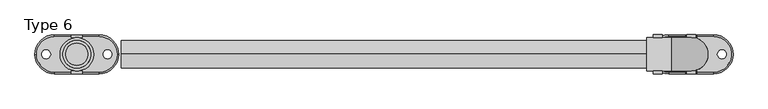
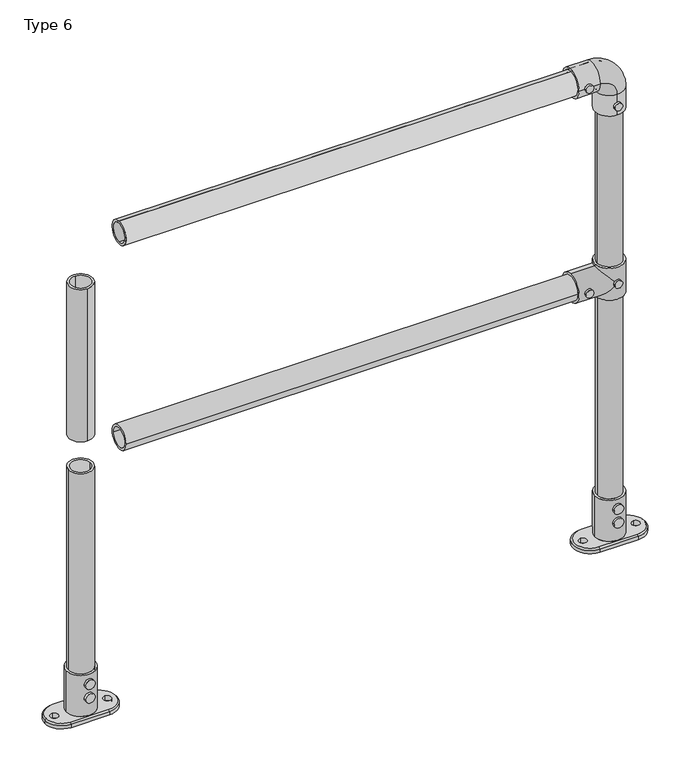
"""IFC4 building model written with IfcOpenShell, lengths in millimetres: proxy geometry, Type 6."""

from ifc_helpers import new_model, si_unit, point, frame, frame_2d, origin, origin_with_axes, origin_2d, place, context, project, spatial, polyline, circle_curve, ellipse_curve, trimmed, segment, composite_curve, outline, extrude, source, transform, mapped, element, save
from ifc_brep_helpers import plane_surface, cylinder_surface, revolved_surface, advanced_brep


def type_6_b95ba81a(model_context):
    return source(origin(), model_context, "Body", "SolidModel", [
        extrude(outline(composite_curve([segment(trimmed(circle_curve(frame_2d((575.0, 1100.0)), 8.0), [point((575.0, 1108.0))], [point((575.0, 1092.0))], False, "CARTESIAN"), True, "CONTINUOUS"), segment(trimmed(circle_curve(frame_2d((575.0, 1100.0)), 8.0), [point((575.0, 1092.0))], [point((575.0, 1108.0))], False, "CARTESIAN"), True, "CONTINUOUS")], self_intersect=False)), frame((0.0, -35.0, 0.0), z_axis=(0.0, 1.0, 0.0), x_axis=(0.0, 0.0, 1.0)), (0.0, 0.0, 1.0), 5.0),
        extrude(outline(composite_curve([segment(trimmed(circle_curve(frame_2d((575.0, 1040.0)), 8.0), [point((575.0, 1048.0))], [point((575.0, 1032.0))], False, "CARTESIAN"), True, "CONTINUOUS"), segment(trimmed(circle_curve(frame_2d((575.0, 1040.0)), 8.0), [point((575.0, 1032.0))], [point((575.0, 1048.0))], False, "CARTESIAN"), True, "CONTINUOUS")], self_intersect=False)), frame((0.0, -35.0, 0.0), z_axis=(0.0, 1.0, 0.0), x_axis=(0.0, 0.0, 1.0)), (0.0, 0.0, 1.0), 5.0),
        extrude(outline(composite_curve([segment(trimmed(circle_curve(frame_2d((575.0, 1100.0)), 8.0), [point((575.0, 1108.0))], [point((575.0, 1092.0))], False, "CARTESIAN"), True, "CONTINUOUS"), segment(trimmed(circle_curve(frame_2d((575.0, 1100.0)), 8.0), [point((575.0, 1092.0))], [point((575.0, 1108.0))], False, "CARTESIAN"), True, "CONTINUOUS")], self_intersect=False)), frame((0.0, 30.0, 0.0), z_axis=(0.0, 1.0, 0.0), x_axis=(0.0, 0.0, 1.0)), (0.0, 0.0, 1.0), 5.0),
        extrude(outline(composite_curve([segment(trimmed(circle_curve(frame_2d((575.0, 1040.0)), 8.0), [point((575.0, 1048.0))], [point((575.0, 1032.0))], False, "CARTESIAN"), True, "CONTINUOUS"), segment(trimmed(circle_curve(frame_2d((575.0, 1040.0)), 8.0), [point((575.0, 1032.0))], [point((575.0, 1048.0))], False, "CARTESIAN"), True, "CONTINUOUS")], self_intersect=False)), frame((0.0, 30.0, 0.0), z_axis=(0.0, 1.0, 0.0), x_axis=(0.0, 0.0, 1.0)), (0.0, 0.0, 1.0), 5.0),
        advanced_brep(
        [(1130.0, 0.0, 610.0), (1070.0, 0.0, 610.0), (1100.0, 25.0, 610.0), (1100.0, -25.0, 610.0), (1130.0, 0.0, 540.0), (1070.0, 0.0, 540.0), (1100.0, -25.0, 540.0), (1100.0, 25.0, 540.0), (1070.0, 0.0, 545.0), (1100.0, 30.0, 575.0), (1070.0, 0.0, 605.0), (1100.0, -30.0, 575.0), (1020.0, 0.0, 545.0), (1020.0, 0.0, 605.0), (1020.0, 0.0, 600.0), (1020.0, 0.0, 550.0), (1075.0, 0.0, 600.0), (1100.0, -25.0, 575.0), (1075.0, 0.0, 550.0), (1100.0, 25.0, 575.0)],
        [
            (0, 1, circle_curve(frame((1100.0, 0.0, 610.0), z_axis=(0.0, 0.0, 1.0), x_axis=(-1.0, 0.0, 0.0)), 30.0)),
            (1, 0, circle_curve(frame((1100.0, 0.0, 610.0), z_axis=(0.0, 0.0, 1.0), x_axis=(-1.0, 0.0, 0.0)), 30.0)),
            (2, 3, circle_curve(frame((1100.0, 0.0, 610.0), z_axis=(0.0, 0.0, -1.0), x_axis=(0.0, -1.0, 0.0)), 25.0)),
            (3, 2, circle_curve(frame((1100.0, 0.0, 610.0), z_axis=(0.0, 0.0, -1.0), x_axis=(0.0, -1.0, 0.0)), 25.0)),
            (4, 5, circle_curve(frame((1100.0, 0.0, 540.0), z_axis=(0.0, 0.0, -1.0), x_axis=(-1.0, 0.0, 0.0)), 30.0)),
            (5, 4, circle_curve(frame((1100.0, 0.0, 540.0), z_axis=(0.0, 0.0, -1.0), x_axis=(-1.0, 0.0, 0.0)), 30.0)),
            (6, 7, circle_curve(frame((1100.0, 0.0, 540.0), z_axis=(0.0, 0.0, 1.0), x_axis=(0.0, -1.0, 0.0)), 25.0)),
            (7, 6, circle_curve(frame((1100.0, 0.0, 540.0), z_axis=(0.0, 0.0, 1.0), x_axis=(0.0, -1.0, 0.0)), 25.0)),
            (0, 4),
            (5, 8),
            (8, 9, ellipse_curve(frame((1100.0, 0.0, 575.0), z_axis=(0.7071067811865458, 0.0, -0.7071067811865492), x_axis=(0.7071067811865492, 0.0, 0.7071067811865458)), 42.4264069, 30.0)),
            (9, 10, ellipse_curve(frame((1100.0, 0.0, 575.0), z_axis=(0.7071067811865492, 0.0, 0.7071067811865458), x_axis=(-0.7071067811865458, 0.0, 0.7071067811865492)), 42.4264069, 30.0)),
            (10, 1),
            (10, 11, ellipse_curve(frame((1100.0, 0.0, 575.0), z_axis=(0.7071067811865492, 0.0, 0.7071067811865458), x_axis=(-0.7071067811865458, 0.0, 0.7071067811865492)), 42.4264069, 30.0)),
            (11, 8, ellipse_curve(frame((1100.0, 0.0, 575.0), z_axis=(0.7071067811865458, 0.0, -0.7071067811865492), x_axis=(0.7071067811865492, 0.0, 0.7071067811865458)), 42.4264069, 30.0)),
            (12, 13, circle_curve(frame((1020.0, 0.0, 575.0), z_axis=(-1.0, 0.0, 0.0), x_axis=(0.0, 0.0, 1.0)), 30.0)),
            (13, 12, circle_curve(frame((1020.0, 0.0, 575.0), z_axis=(-1.0, 0.0, 0.0), x_axis=(0.0, 0.0, 1.0)), 30.0)),
            (14, 15, circle_curve(frame((1020.0, 0.0, 575.0), z_axis=(1.0, 0.0, 0.0), x_axis=(0.0, 0.0, -1.0)), 25.0)),
            (15, 14, circle_curve(frame((1020.0, 0.0, 575.0), z_axis=(1.0, 0.0, 0.0), x_axis=(0.0, 0.0, -1.0)), 25.0)),
            (12, 8),
            (10, 13),
            (14, 16),
            (16, 17, ellipse_curve(frame((1100.0, 0.0, 575.0), z_axis=(0.7071067811865492, 0.0, 0.7071067811865458), x_axis=(0.7071067811865458, 0.0, -0.7071067811865492)), 35.3553391, 25.0)),
            (17, 18, ellipse_curve(frame((1100.0, 0.0, 575.0), z_axis=(0.7071067811865458, 0.0, -0.7071067811865492), x_axis=(0.7071067811865492, 0.0, 0.7071067811865457)), 35.3553391, 25.0)),
            (18, 15),
            (18, 19, ellipse_curve(frame((1100.0, 0.0, 575.0), z_axis=(0.7071067811865458, 0.0, -0.7071067811865492), x_axis=(0.7071067811865492, 0.0, 0.7071067811865457)), 35.3553391, 25.0)),
            (19, 16, ellipse_curve(frame((1100.0, 0.0, 575.0), z_axis=(0.7071067811865492, 0.0, 0.7071067811865458), x_axis=(0.7071067811865458, 0.0, -0.7071067811865492)), 35.3553391, 25.0)),
            (2, 19),
            (19, 7),
            (6, 17),
            (17, 3),
        ],
        [
            plane_surface(frame((1070.0, 0.0, 610.0), z_axis=(0.0, 0.0, 1.0), x_axis=(0.0, -1.0, 0.0))),
            plane_surface(frame((1070.0, 0.0, 540.0), z_axis=(0.0, 0.0, -1.0), x_axis=(0.0, 1.0, 0.0))),
            cylinder_surface(frame((1100.0, 0.0, 540.0), z_axis=(0.0, 0.0, 1.0), x_axis=(-1.0, 0.0, 0.0)), 30.0),
            plane_surface(frame((1020.0, 0.0, 605.0), z_axis=(-1.0, 0.0, 0.0), x_axis=(0.0, 1.0, 0.0))),
            cylinder_surface(frame((1100.0, 0.0, 575.0), z_axis=(-1.0, 0.0, 0.0), x_axis=(0.0, 0.0, 1.0)), 30.0),
            revolved_surface(polyline([(1125.00000002876, 0.0, 550.0), (1020.0, 0.0, 550.0)]), (1020.0, 0.0, 575.0), (1.0, 0.0, 0.0)),
            revolved_surface(polyline([(1100.0, -25.0, 540.0), (1100.0, -25.0, 610.0)]), (1100.0, 0.0, 610.0), (0.0, 0.0, -1.0)),
            revolved_surface(polyline([(1100.0, -25.0, 549.9999999712401), (1100.0, -25.0, 610.0)]), (1100.0, 0.0, 610.0), (0.0, 0.0, -1.0)),
            revolved_surface(polyline([(1100.0, -25.0, 540.0), (1100.0, -25.0, 600.0000000287598)]), (1100.0, 0.0, 610.0), (0.0, 0.0, -1.0)),
        ],
        [
            (0, [[1, 2], [3, 4]]),
            (1, [[5, 6], [7, 8]]),
            (2, [[-1, 9, -6, 10, 11, 12, 13]]),
            (2, [[-2, -13, 14, 15, -10, -5, -9]]),
            (3, [[16, 17], [18, 19]]),
            (4, [[-16, 20, -15, -14, 21]]),
            (4, [[-17, -21, -12, -11, -20]]),
            (5, [[-18, 22, 23, 24, 25]]),
            (5, [[-19, -25, 26, 27, -22]]),
            (6, [[28, 29, -7, 30, 31, -3]]),
            (7, [[-28, -4, -31, -23, -27]]),
            (8, [[-29, -26, -24, -30, -8]]),
        ],
    ),
        extrude(outline(composite_curve([segment(trimmed(circle_curve(frame_2d((1025.0, 1040.0)), 8.0), [point((1025.0, 1048.0))], [point((1025.0, 1032.0))], False, "CARTESIAN"), True, "CONTINUOUS"), segment(trimmed(circle_curve(frame_2d((1025.0, 1040.0)), 8.0), [point((1025.0, 1032.0))], [point((1025.0, 1048.0))], False, "CARTESIAN"), True, "CONTINUOUS")], self_intersect=False)), frame((0.0, 30.0, 0.0), z_axis=(0.0, 1.0, 0.0), x_axis=(0.0, 0.0, 1.0)), (0.0, 0.0, 1.0), 5.0),
        extrude(outline(composite_curve([segment(trimmed(circle_curve(frame_2d((965.0, 1100.0)), 8.0), [point((965.0, 1108.0))], [point((965.0, 1092.0))], False, "CARTESIAN"), True, "CONTINUOUS"), segment(trimmed(circle_curve(frame_2d((965.0, 1100.0)), 8.0), [point((965.0, 1092.0))], [point((965.0, 1108.0))], False, "CARTESIAN"), True, "CONTINUOUS")], self_intersect=False)), frame((0.0, 30.0, 0.0), z_axis=(0.0, 1.0, 0.0), x_axis=(0.0, 0.0, 1.0)), (0.0, 0.0, 1.0), 5.0),
        extrude(outline(composite_curve([segment(trimmed(circle_curve(frame_2d((1025.0, 1040.0)), 8.0), [point((1025.0, 1048.0))], [point((1025.0, 1032.0))], False, "CARTESIAN"), True, "CONTINUOUS"), segment(trimmed(circle_curve(frame_2d((1025.0, 1040.0)), 8.0), [point((1025.0, 1032.0))], [point((1025.0, 1048.0))], False, "CARTESIAN"), True, "CONTINUOUS")], self_intersect=False)), frame((0.0, -35.0, 0.0), z_axis=(0.0, 1.0, 0.0), x_axis=(0.0, 0.0, 1.0)), (0.0, 0.0, 1.0), 5.0),
        extrude(outline(composite_curve([segment(trimmed(circle_curve(frame_2d((965.0, 1100.0)), 8.0), [point((965.0, 1108.0))], [point((965.0, 1092.0))], False, "CARTESIAN"), True, "CONTINUOUS"), segment(trimmed(circle_curve(frame_2d((965.0, 1100.0)), 8.0), [point((965.0, 1092.0))], [point((965.0, 1108.0))], False, "CARTESIAN"), True, "CONTINUOUS")], self_intersect=False)), frame((0.0, -35.0, 0.0), z_axis=(0.0, 1.0, 0.0), x_axis=(0.0, 0.0, 1.0)), (0.0, 0.0, 1.0), 5.0),
        advanced_brep(
        [(1100.0, -30.0, 945.0), (1100.0, 30.0, 945.0), (1100.0, -25.0, 945.0), (1100.0, 25.0, 945.0), (1100.0, 30.0, 990.0), (1100.0, -30.0, 990.0), (1065.0, 30.0, 1025.0), (1065.0, -30.0, 1025.0), (1020.0, -30.0, 1025.0), (1020.0, 30.0, 1025.0), (1020.0, -25.0, 1025.0), (1020.0, 25.0, 1025.0), (1100.0, 25.0, 990.0), (1100.0, -25.0, 990.0), (1065.0, 25.0, 1025.0), (1065.0, -25.0, 1025.0)],
        [
            (0, 1, circle_curve(frame((1100.0, 0.0, 945.0), z_axis=(0.0, 0.0, -1.0), x_axis=(0.0, 1.0, 0.0)), 30.0)),
            (1, 0, circle_curve(frame((1100.0, 0.0, 945.0), z_axis=(0.0, 0.0, -1.0), x_axis=(0.0, 1.0, 0.0)), 30.0)),
            (2, 3, circle_curve(frame((1100.0, 0.0, 945.0), z_axis=(0.0, 0.0, 1.0), x_axis=(0.0, 1.0, 0.0)), 25.0)),
            (3, 2, circle_curve(frame((1100.0, 0.0, 945.0), z_axis=(0.0, 0.0, 1.0), x_axis=(0.0, 1.0, 0.0)), 25.0)),
            (1, 4),
            (4, 5, circle_curve(frame((1100.0, 0.0, 990.0), z_axis=(0.0, 0.0, -1.0), x_axis=(0.0, 1.0, 0.0)), 30.0)),
            (5, 0),
            (5, 4, circle_curve(frame((1100.0, 0.0, 990.0), z_axis=(0.0, 0.0, -1.0), x_axis=(0.0, 1.0, 0.0)), 30.0)),
            (6, 7, circle_curve(frame((1065.0, 0.0, 1025.0), z_axis=(1.0, 0.0, 0.0), x_axis=(0.0, 1.0, 0.0)), 30.0)),
            (7, 5, circle_curve(frame((1065.0, -30.0, 990.0), z_axis=(0.0, 1.0, 0.0), x_axis=(1.0, 0.0, 0.0)), 35.0)),
            (4, 6, circle_curve(frame((1065.0, 30.0, 990.0), z_axis=(0.0, -1.0, 0.0), x_axis=(1.0, 0.0, 0.0)), 35.0)),
            (7, 6, circle_curve(frame((1065.0, 0.0, 1025.0), z_axis=(1.0, 0.0, 0.0), x_axis=(0.0, 1.0, 0.0)), 30.0)),
            (8, 9, circle_curve(frame((1020.0, 0.0, 1025.0), z_axis=(-1.0, 0.0, 0.0), x_axis=(0.0, 1.0, 0.0)), 30.0)),
            (9, 8, circle_curve(frame((1020.0, 0.0, 1025.0), z_axis=(-1.0, 0.0, 0.0), x_axis=(0.0, 1.0, 0.0)), 30.0)),
            (10, 11, circle_curve(frame((1020.0, 0.0, 1025.0), z_axis=(1.0, 0.0, 0.0), x_axis=(0.0, 1.0, 0.0)), 25.0)),
            (11, 10, circle_curve(frame((1020.0, 0.0, 1025.0), z_axis=(1.0, 0.0, 0.0), x_axis=(0.0, 1.0, 0.0)), 25.0)),
            (6, 9),
            (8, 7),
            (3, 12),
            (12, 13, circle_curve(frame((1100.0, 0.0, 990.0), z_axis=(0.0, 0.0, 1.0), x_axis=(0.0, 1.0, 0.0)), 25.0)),
            (13, 2),
            (13, 12, circle_curve(frame((1100.0, 0.0, 990.0), z_axis=(0.0, 0.0, 1.0), x_axis=(0.0, 1.0, 0.0)), 25.0)),
            (14, 15, circle_curve(frame((1065.0, 0.0, 1025.0), z_axis=(-1.0, 0.0, 0.0), x_axis=(0.0, 1.0, 0.0)), 25.0)),
            (15, 13, circle_curve(frame((1065.0, -25.0, 990.0), z_axis=(0.0, 1.0, 0.0), x_axis=(1.0, 0.0, 0.0)), 35.0)),
            (12, 14, circle_curve(frame((1065.0, 25.0, 990.0), z_axis=(0.0, -1.0, 0.0), x_axis=(1.0, 0.0, 0.0)), 35.0)),
            (15, 14, circle_curve(frame((1065.0, 0.0, 1025.0), z_axis=(-1.0, 0.0, 0.0), x_axis=(0.0, 1.0, 0.0)), 25.0)),
            (14, 11),
            (10, 15),
        ],
        [
            plane_surface(frame((1070.0, 0.0, 945.0), z_axis=(0.0, 0.0, -1.0), x_axis=(0.0, -1.0, 0.0))),
            cylinder_surface(frame((1100.0, 0.0, 945.0), z_axis=(0.0, 0.0, -1.0), x_axis=(0.0, 1.0, 0.0)), 30.0),
            revolved_surface(trimmed(ellipse_curve(frame((1100.0, 0.0, 990.0), z_axis=(0.0, 0.0, 1.0), x_axis=(0.0, 1.0, 0.0)), 30.0, 30.0), [point((1100.0, -30.0, 990.0))], [point((1100.0, 30.0, 990.0))], True, "CARTESIAN"), (1065.0, 0.0, 990.0), (0.0, 1.0, 0.0)),
            revolved_surface(trimmed(ellipse_curve(frame((1100.0, 0.0, 990.0), z_axis=(0.0, 0.0, 1.0), x_axis=(0.0, 1.0, 0.0)), 30.0, 30.0), [point((1100.0, 30.0, 990.0))], [point((1100.0, -30.0, 990.0))], True, "CARTESIAN"), (1065.0, 0.0, 990.0), (0.0, 1.0, 0.0)),
            plane_surface(frame((1020.0, 0.0, 995.0), z_axis=(-1.0, 0.0, 0.0), x_axis=(0.0, -1.0, 0.0))),
            cylinder_surface(frame((1065.0, 0.0, 1025.0), z_axis=(1.0, 0.0, 0.0), x_axis=(0.0, 1.0, 0.0)), 30.0),
            revolved_surface(polyline([(1100.0, 25.0, 990.0), (1100.0, 25.0, 945.0)]), (1100.0, 0.0, 945.0), (0.0, 0.0, 1.0)),
            revolved_surface(trimmed(ellipse_curve(frame((1100.0, 0.0, 990.0), z_axis=(0.0, 0.0, -1.0), x_axis=(0.0, 1.0, 0.0)), 25.0, 25.0), [point((1100.0, -25.0, 990.0))], [point((1100.0, 25.0, 990.0))], True, "CARTESIAN"), (1065.0, 0.0, 990.0), (0.0, 1.0, 0.0)),
            revolved_surface(trimmed(ellipse_curve(frame((1100.0, 0.0, 990.0), z_axis=(0.0, 0.0, -1.0), x_axis=(0.0, 1.0, 0.0)), 25.0, 25.0), [point((1100.0, 25.0, 990.0))], [point((1100.0, -25.0, 990.0))], True, "CARTESIAN"), (1065.0, 0.0, 990.0), (0.0, 1.0, 0.0)),
            revolved_surface(polyline([(1020.0, 25.0, 1025.0), (1065.0, 25.0, 1025.0)]), (1065.0, 0.0, 1025.0), (-1.0, 0.0, 0.0)),
        ],
        [
            (0, [[1, 2], [3, 4]]),
            (1, [[5, 6, 7, -2]]),
            (1, [[-7, 8, -5, -1]]),
            (2, [[9, 10, -6, 11]]),
            (3, [[12, -11, -8, -10]]),
            (4, [[13, 14], [15, 16]]),
            (5, [[17, -13, 18, -9]]),
            (5, [[-18, -14, -17, -12]]),
            (6, [[19, 20, 21, -4]]),
            (6, [[-21, 22, -19, -3]]),
            (7, [[23, 24, -20, 25]]),
            (8, [[26, -25, -22, -24]]),
            (9, [[27, -15, 28, -23]]),
            (9, [[-28, -16, -27, -26]]),
        ],
    ),
        extrude(outline(composite_curve([segment(trimmed(circle_curve(frame_2d((0.0, 575.0)), 25.0), [point((-25.0, 575.0))], [point((25.0, 575.0))], False, "CARTESIAN"), True, "CONTINUOUS"), segment(trimmed(circle_curve(frame_2d((0.0, 575.0)), 25.0), [point((25.0, 575.0))], [point((-25.0, 575.0))], False, "CARTESIAN"), True, "CONTINUOUS")], self_intersect=False), holes=[composite_curve([segment(trimmed(circle_curve(frame_2d((0.0, 575.0)), 20.0), [point((-20.0, 575.0))], [point((20.0, 575.0))], True, "CARTESIAN"), True, "CONTINUOUS"), segment(trimmed(circle_curve(frame_2d((0.0, 575.0)), 20.0), [point((20.0, 575.0))], [point((-20.0, 575.0))], True, "CARTESIAN"), True, "CONTINUOUS")], self_intersect=False)]), frame((80.0, 0.0, 0.0), z_axis=(1.0, 0.0, 0.0), x_axis=(0.0, 1.0, 0.0)), (0.0, 0.0, 1.0), 940.0),
        extrude(outline(composite_curve([segment(trimmed(circle_curve(frame_2d((0.0, 1025.0)), 25.0), [point((0.0, 1050.0))], [point((0.0, 1000.0))], False, "CARTESIAN"), True, "CONTINUOUS"), segment(trimmed(circle_curve(frame_2d((0.0, 1025.0)), 25.0), [point((0.0, 1000.0))], [point((0.0, 1050.0))], False, "CARTESIAN"), True, "CONTINUOUS")], self_intersect=False), holes=[composite_curve([segment(trimmed(circle_curve(frame_2d((0.0, 1025.0)), 20.0), [point((0.0, 1045.0))], [point((0.0, 1005.0))], True, "CARTESIAN"), True, "CONTINUOUS"), segment(trimmed(circle_curve(frame_2d((0.0, 1025.0)), 20.0), [point((0.0, 1005.0))], [point((0.0, 1045.0))], True, "CARTESIAN"), True, "CONTINUOUS")], self_intersect=False)]), frame((80.0, 0.0, 0.0), z_axis=(1.0, 0.0, 0.0), x_axis=(0.0, 1.0, 0.0)), (0.0, 0.0, 1.0), 940.0),
        extrude(outline(composite_curve([segment(trimmed(circle_curve(frame_2d((1100.0, 0.0)), 25.0), [point((1075.0, 0.0))], [point((1125.0, 0.0))], False, "CARTESIAN"), True, "CONTINUOUS"), segment(trimmed(circle_curve(frame_2d((1100.0, 0.0)), 25.0), [point((1125.0, 0.0))], [point((1075.0, 0.0))], False, "CARTESIAN"), True, "CONTINUOUS")], self_intersect=False), holes=[composite_curve([segment(trimmed(circle_curve(frame_2d((1100.0, 0.0)), 20.0), [point((1080.0, 0.0))], [point((1120.0, 0.0))], True, "CARTESIAN"), True, "CONTINUOUS"), segment(trimmed(circle_curve(frame_2d((1100.0, 0.0)), 20.0), [point((1120.0, 0.0))], [point((1080.0, 0.0))], True, "CARTESIAN"), True, "CONTINUOUS")], self_intersect=False)]), frame((0.0, 0.0, 610.0), z_axis=(0.0, 0.0, 1.0), x_axis=(1.0, 0.0, 0.0)), (0.0, 0.0, 1.0), 335.0),
        extrude(outline(composite_curve([segment(trimmed(circle_curve(frame_2d((1100.0, 0.0)), 25.0), [point((1125.0, 0.0))], [point((1075.0, 0.0))], False, "CARTESIAN"), True, "CONTINUOUS"), segment(trimmed(circle_curve(frame_2d((1100.0, 0.0)), 25.0), [point((1075.0, 0.0))], [point((1125.0, 0.0))], False, "CARTESIAN"), True, "CONTINUOUS")], self_intersect=False), holes=[composite_curve([segment(trimmed(circle_curve(frame_2d((1100.0, 0.0)), 20.0), [point((1120.0, 0.0))], [point((1080.0, 0.0))], True, "CARTESIAN"), True, "CONTINUOUS"), segment(trimmed(circle_curve(frame_2d((1100.0, 0.0)), 20.0), [point((1080.0, 0.0))], [point((1120.0, 0.0))], True, "CARTESIAN"), True, "CONTINUOUS")], self_intersect=False)]), frame((0.0, 0.0, 100.0), z_axis=(0.0, 0.0, 1.0), x_axis=(1.0, 0.0, 0.0)), (0.0, 0.0, 1.0), 440.0),
        extrude(outline(composite_curve([segment(trimmed(circle_curve(frame_2d((80.0, 1100.0)), 10.0), [point((80.0, 1090.0))], [point((80.0, 1110.0))], False, "CARTESIAN"), True, "CONTINUOUS"), segment(trimmed(circle_curve(frame_2d((80.0, 1100.0)), 10.0), [point((80.0, 1110.0))], [point((80.0, 1090.0))], False, "CARTESIAN"), True, "CONTINUOUS")], self_intersect=False)), frame((0.0, 30.0, 0.0), z_axis=(0.0, 1.0, 0.0), x_axis=(0.0, 0.0, 1.0)), (0.0, 0.0, 1.0), 5.0),
        extrude(outline(composite_curve([segment(trimmed(circle_curve(frame_2d((50.0, 1100.0)), 10.0), [point((50.0, 1090.0))], [point((50.0, 1110.0))], False, "CARTESIAN"), True, "CONTINUOUS"), segment(trimmed(circle_curve(frame_2d((50.0, 1100.0)), 10.0), [point((50.0, 1110.0))], [point((50.0, 1090.0))], False, "CARTESIAN"), True, "CONTINUOUS")], self_intersect=False)), frame((0.0, 30.0, 0.0), z_axis=(0.0, 1.0, 0.0), x_axis=(0.0, 0.0, 1.0)), (0.0, 0.0, 1.0), 5.0),
        extrude(outline(composite_curve([segment(trimmed(circle_curve(frame_2d((80.0, 1100.0)), 10.0), [point((80.0, 1090.0))], [point((80.0, 1110.0))], False, "CARTESIAN"), True, "CONTINUOUS"), segment(trimmed(circle_curve(frame_2d((80.0, 1100.0)), 10.0), [point((80.0, 1110.0))], [point((80.0, 1090.0))], False, "CARTESIAN"), True, "CONTINUOUS")], self_intersect=False)), frame((0.0, -35.0, 0.0), z_axis=(0.0, 1.0, 0.0), x_axis=(0.0, 0.0, 1.0)), (0.0, 0.0, 1.0), 5.0),
        extrude(outline(composite_curve([segment(trimmed(circle_curve(frame_2d((50.0, 1100.0)), 10.0), [point((50.0, 1090.0))], [point((50.0, 1110.0))], False, "CARTESIAN"), True, "CONTINUOUS"), segment(trimmed(circle_curve(frame_2d((50.0, 1100.0)), 10.0), [point((50.0, 1110.0))], [point((50.0, 1090.0))], False, "CARTESIAN"), True, "CONTINUOUS")], self_intersect=False)), frame((0.0, -35.0, 0.0), z_axis=(0.0, 1.0, 0.0), x_axis=(0.0, 0.0, 1.0)), (0.0, 0.0, 1.0), 5.0),
        advanced_brep(
        [(1125.0, 0.0, 10.0), (1075.0, 0.0, 10.0), (1140.0, -32.0, 10.0), (1140.0, 32.0, 10.0), (1060.0, 32.0, 10.0), (1060.0, -32.0, 10.0), (1130.0, 0.0, 10.0), (1070.0, 0.0, 10.0), (1045.0, -8.0, 10.0), (1045.0, 8.0, 10.0), (1155.0, -8.0, 10.0), (1155.0, 8.0, 10.0), (1140.0, 35.0, 0.0), (1140.0, -35.0, 0.0), (1060.0, -35.0, 0.0), (1060.0, 35.0, 0.0), (1045.0, 8.0, 0.0), (1045.0, -8.0, 0.0), (1155.0, 8.0, 0.0), (1155.0, -8.0, 0.0), (1060.0, 35.0, 7.0), (1140.0, 35.0, 7.0), (1060.0, -35.0, 7.0), (1140.0, -35.0, 7.0), (1070.0, 0.0, 100.0), (1130.0, 0.0, 100.0), (1075.0, 0.0, 100.0), (1125.0, 0.0, 100.0)],
        [
            (0, 1, circle_curve(frame((1100.0, 0.0, 10.0), z_axis=(0.0, 0.0, 1.0), x_axis=(1.0, 0.0, 0.0)), 25.0)),
            (1, 0, circle_curve(frame((1100.0, 0.0, 10.0), z_axis=(0.0, 0.0, 1.0), x_axis=(1.0, 0.0, 0.0)), 25.0)),
            (2, 3, circle_curve(frame((1140.0, 0.0, 10.0), z_axis=(0.0, 0.0, 1.0), x_axis=(0.0, -1.0, 0.0)), 32.0)),
            (3, 4),
            (4, 5, circle_curve(frame((1060.0, 0.0, 10.0), z_axis=(0.0, 0.0, 1.0), x_axis=(0.0, 1.0, 0.0)), 32.0)),
            (5, 2),
            (6, 7, circle_curve(frame((1100.0, 0.0, 10.0), z_axis=(0.0, 0.0, -1.0), x_axis=(1.0, 0.0, 0.0)), 30.0)),
            (7, 6, circle_curve(frame((1100.0, 0.0, 10.0), z_axis=(0.0, 0.0, -1.0), x_axis=(1.0, 0.0, 0.0)), 30.0)),
            (8, 9, circle_curve(frame((1045.0, 0.0, 10.0), z_axis=(0.0, 0.0, -1.0), x_axis=(0.0, 1.0, 0.0)), 8.0)),
            (9, 8, circle_curve(frame((1045.0, 0.0, 10.0), z_axis=(0.0, 0.0, -1.0), x_axis=(0.0, 1.0, 0.0)), 8.0)),
            (10, 11, circle_curve(frame((1155.0, 0.0, 10.0), z_axis=(0.0, 0.0, -1.0), x_axis=(0.0, 1.0, 0.0)), 8.0)),
            (11, 10, circle_curve(frame((1155.0, 0.0, 10.0), z_axis=(0.0, 0.0, -1.0), x_axis=(0.0, 1.0, 0.0)), 8.0)),
            (12, 13, circle_curve(frame((1140.0, 0.0, 0.0), z_axis=(0.0, 0.0, -1.0), x_axis=(1.0, 0.0, 0.0)), 35.0)),
            (13, 14),
            (14, 15, circle_curve(frame((1060.0, 0.0, 0.0), z_axis=(0.0, 0.0, -1.0), x_axis=(1.0, 0.0, 0.0)), 35.0)),
            (15, 12),
            (16, 17, circle_curve(frame((1045.0, 0.0, 0.0), z_axis=(0.0, 0.0, 1.0), x_axis=(0.0, 1.0, 0.0)), 8.0)),
            (17, 16, circle_curve(frame((1045.0, 0.0, 0.0), z_axis=(0.0, 0.0, 1.0), x_axis=(0.0, 1.0, 0.0)), 8.0)),
            (18, 19, circle_curve(frame((1155.0, 0.0, 0.0), z_axis=(0.0, 0.0, 1.0), x_axis=(0.0, 1.0, 0.0)), 8.0)),
            (19, 18, circle_curve(frame((1155.0, 0.0, 0.0), z_axis=(0.0, 0.0, 1.0), x_axis=(0.0, 1.0, 0.0)), 8.0)),
            (15, 20),
            (20, 21),
            (21, 12),
            (14, 22),
            (22, 20, circle_curve(frame((1060.0, 0.0, 7.0), z_axis=(0.0, 0.0, -1.0), x_axis=(1.0, 0.0, 0.0)), 35.0)),
            (13, 23),
            (23, 22),
            (21, 23, circle_curve(frame((1140.0, 0.0, 7.0), z_axis=(0.0, 0.0, -1.0), x_axis=(1.0, 0.0, 0.0)), 35.0)),
            (24, 25, circle_curve(frame((1100.0, 0.0, 100.0), z_axis=(0.0, 0.0, 1.0), x_axis=(1.0, 0.0, 0.0)), 30.0)),
            (25, 24, circle_curve(frame((1100.0, 0.0, 100.0), z_axis=(0.0, 0.0, 1.0), x_axis=(1.0, 0.0, 0.0)), 30.0)),
            (26, 27, circle_curve(frame((1100.0, 0.0, 100.0), z_axis=(0.0, 0.0, -1.0), x_axis=(1.0, 0.0, 0.0)), 25.0)),
            (27, 26, circle_curve(frame((1100.0, 0.0, 100.0), z_axis=(0.0, 0.0, -1.0), x_axis=(1.0, 0.0, 0.0)), 25.0)),
            (24, 7),
            (6, 25),
            (26, 1),
            (0, 27),
            (21, 3),
            (2, 23),
            (20, 4),
            (22, 5),
            (16, 9),
            (8, 17),
            (18, 11),
            (10, 19),
        ],
        [
            plane_surface(frame((1060.0, 35.0, 10.0), z_axis=(0.0, 0.0, 1.0), x_axis=(-1.0, 0.0, 0.0))),
            plane_surface(frame((1060.0, 35.0, 0.0), z_axis=(0.0, 0.0, -1.0), x_axis=(1.0, 0.0, 0.0))),
            plane_surface(frame((1140.0, 35.0, 10.0), z_axis=(0.0, 1.0, 0.0), x_axis=(0.0, 0.0, -1.0))),
            cylinder_surface(frame((1060.0, 0.0, 0.0), z_axis=(0.0, 0.0, 1.0), x_axis=(1.0, 0.0, 0.0)), 35.0),
            plane_surface(frame((1060.0, -35.0, 10.0), z_axis=(0.0, -1.0, 0.0), x_axis=(0.0, 0.0, -1.0))),
            cylinder_surface(frame((1140.0, 0.0, 0.0), z_axis=(0.0, 0.0, 1.0), x_axis=(1.0, 0.0, 0.0)), 35.0),
            plane_surface(frame((1130.0, 0.0, 100.0), z_axis=(0.0, 0.0, 1.0), x_axis=(0.0, 1.0, 0.0))),
            cylinder_surface(frame((1100.0, 0.0, 0.0), z_axis=(0.0, 0.0, 1.0), x_axis=(1.0, 0.0, 0.0)), 30.0),
            revolved_surface(polyline([(1125.0, 0.0, 10.0), (1125.0, 0.0, 100.0)]), (1100.0, 0.0, 0.0), (0.0, 0.0, -1.0)),
            revolved_surface(polyline([(1140.0, -35.0, 7.0), (1140.0, -32.0, 10.0)]), (1140.0, 0.0, 10.0), (0.0, 0.0, 1.0)),
            plane_surface(frame((1140.0, 32.0, 10.0), z_axis=(0.0, 0.7071067811865211, 0.707106781186574), x_axis=(-1.0, 0.0, 0.0))),
            revolved_surface(polyline([(1060.0, 35.0, 7.0), (1060.0, 32.0, 10.0)]), (1060.0, 0.0, 10.0), (0.0, 0.0, 1.0)),
            plane_surface(frame((1060.0, -32.0, 10.0), z_axis=(0.0, -0.7071067811865211, 0.707106781186574), x_axis=(1.0, 0.0, 0.0))),
            revolved_surface(polyline([(1045.0, 8.0, 0.0), (1045.0, 8.0, 10.0)]), (1045.0, 0.0, 10.0), (0.0, 0.0, -1.0)),
            revolved_surface(polyline([(1155.0, 8.0, 0.0), (1155.0, 8.0, 10.0)]), (1155.0, 0.0, 0.0), (0.0, 0.0, -1.0)),
        ],
        [
            (0, [[1, 2]]),
            (0, [[3, 4, 5, 6], [7, 8], [9, 10], [11, 12]]),
            (1, [[13, 14, 15, 16], [17, 18], [19, 20]]),
            (2, [[-16, 21, 22, 23]]),
            (3, [[-15, 24, 25, -21]]),
            (4, [[-14, 26, 27, -24]]),
            (5, [[-13, -23, 28, -26]]),
            (6, [[29, 30], [31, 32]]),
            (7, [[-29, 33, -7, 34]]),
            (7, [[-30, -34, -8, -33]]),
            (8, [[-31, 35, -1, 36]]),
            (8, [[-32, -36, -2, -35]]),
            (9, [[37, -3, 38, -28]]),
            (10, [[-37, -22, 39, -4]]),
            (11, [[-39, -25, 40, -5]]),
            (12, [[-38, -6, -40, -27]]),
            (13, [[41, -9, 42, -17]]),
            (13, [[-41, -18, -42, -10]]),
            (14, [[43, -11, 44, -19]]),
            (14, [[-43, -20, -44, -12]]),
        ],
    ),
        extrude(outline(composite_curve([segment(trimmed(circle_curve(origin_2d(), 25.0), [point((0.0, -25.0))], [point((0.0, 25.0))], False, "CARTESIAN"), True, "CONTINUOUS"), segment(trimmed(circle_curve(origin_2d(), 25.0), [point((0.0, 25.0))], [point((0.0, -25.0))], False, "CARTESIAN"), True, "CONTINUOUS")], self_intersect=False), holes=[composite_curve([segment(trimmed(circle_curve(origin_2d(), 20.0), [point((0.0, -20.0))], [point((0.0, 20.0))], True, "CARTESIAN"), True, "CONTINUOUS"), segment(trimmed(circle_curve(origin_2d(), 20.0), [point((0.0, 20.0))], [point((0.0, -20.0))], True, "CARTESIAN"), True, "CONTINUOUS")], self_intersect=False)]), frame((0.0, 0.0, 610.0), z_axis=(0.0, 0.0, 1.0), x_axis=(1.0, 0.0, 0.0)), (0.0, 0.0, 1.0), 335.0),
        extrude(outline(composite_curve([segment(trimmed(circle_curve(origin_2d(), 25.0), [point((25.0, 0.0))], [point((-25.0, 0.0))], False, "CARTESIAN"), True, "CONTINUOUS"), segment(trimmed(circle_curve(origin_2d(), 25.0), [point((-25.0, 0.0))], [point((25.0, 0.0))], False, "CARTESIAN"), True, "CONTINUOUS")], self_intersect=False), holes=[composite_curve([segment(trimmed(circle_curve(origin_2d(), 20.0), [point((20.0, 0.0))], [point((-20.0, 0.0))], True, "CARTESIAN"), True, "CONTINUOUS"), segment(trimmed(circle_curve(origin_2d(), 20.0), [point((-20.0, 0.0))], [point((20.0, 0.0))], True, "CARTESIAN"), True, "CONTINUOUS")], self_intersect=False)]), frame((0.0, 0.0, 100.0), z_axis=(0.0, 0.0, 1.0), x_axis=(1.0, 0.0, 0.0)), (0.0, 0.0, 1.0), 440.0),
        extrude(outline(composite_curve([segment(trimmed(circle_curve(frame_2d((50.0, 0.0)), 10.0), [point((50.0, -10.0))], [point((50.0, 10.0))], False, "CARTESIAN"), True, "CONTINUOUS"), segment(trimmed(circle_curve(frame_2d((50.0, 0.0)), 10.0), [point((50.0, 10.0))], [point((50.0, -10.0))], False, "CARTESIAN"), True, "CONTINUOUS")], self_intersect=False)), frame((0.0, 30.0, 0.0), z_axis=(0.0, 1.0, 0.0), x_axis=(0.0, 0.0, 1.0)), (0.0, 0.0, 1.0), 5.0),
        extrude(outline(composite_curve([segment(trimmed(circle_curve(frame_2d((80.0, 0.0)), 10.0), [point((80.0, -10.0))], [point((80.0, 10.0))], False, "CARTESIAN"), True, "CONTINUOUS"), segment(trimmed(circle_curve(frame_2d((80.0, 0.0)), 10.0), [point((80.0, 10.0))], [point((80.0, -10.0))], False, "CARTESIAN"), True, "CONTINUOUS")], self_intersect=False)), frame((0.0, 30.0, 0.0), z_axis=(0.0, 1.0, 0.0), x_axis=(0.0, 0.0, 1.0)), (0.0, 0.0, 1.0), 5.0),
        extrude(outline(composite_curve([segment(trimmed(circle_curve(frame_2d((50.0, 0.0)), 10.0), [point((50.0, -10.0))], [point((50.0, 10.0))], False, "CARTESIAN"), True, "CONTINUOUS"), segment(trimmed(circle_curve(frame_2d((50.0, 0.0)), 10.0), [point((50.0, 10.0))], [point((50.0, -10.0))], False, "CARTESIAN"), True, "CONTINUOUS")], self_intersect=False)), frame((0.0, -35.0, 0.0), z_axis=(0.0, 1.0, 0.0), x_axis=(0.0, 0.0, 1.0)), (0.0, 0.0, 1.0), 5.0),
        extrude(outline(composite_curve([segment(trimmed(circle_curve(frame_2d((80.0, 0.0)), 10.0), [point((80.0, -10.0))], [point((80.0, 10.0))], False, "CARTESIAN"), True, "CONTINUOUS"), segment(trimmed(circle_curve(frame_2d((80.0, 0.0)), 10.0), [point((80.0, 10.0))], [point((80.0, -10.0))], False, "CARTESIAN"), True, "CONTINUOUS")], self_intersect=False)), frame((0.0, -35.0, 0.0), z_axis=(0.0, 1.0, 0.0), x_axis=(0.0, 0.0, 1.0)), (0.0, 0.0, 1.0), 5.0),
        advanced_brep(
        [(-30.0, 0.0, 100.0), (30.0, 0.0, 100.0), (-25.0, 0.0, 100.0), (25.0, 0.0, 100.0), (40.0, 35.0, 0.0), (75.0, 0.0, 0.0), (40.0, -35.0, 0.0), (-40.0, -35.0, 0.0), (-75.0, 0.0, 0.0), (-40.0, 35.0, 0.0), (-55.0, 8.0, 0.0), (-55.0, -8.0, 0.0), (55.0, 8.0, 0.0), (55.0, -8.0, 0.0), (-30.0, 0.0, 10.0), (30.0, 0.0, 10.0), (-25.0, 0.0, 10.0), (25.0, 0.0, 10.0), (40.0, -32.0, 10.0), (72.0, 0.0, 10.0), (40.0, 32.0, 10.0), (-40.0, 32.0, 10.0), (-72.0, 0.0, 10.0), (-40.0, -32.0, 10.0), (-55.0, -8.0, 10.0), (-55.0, 8.0, 10.0), (55.0, -8.0, 10.0), (55.0, 8.0, 10.0), (-40.0, 35.0, 7.0), (40.0, 35.0, 7.0), (-75.0, 0.0, 7.0), (-40.0, -35.0, 7.0), (40.0, -35.0, 7.0), (75.0, 0.0, 7.0)],
        [
            (0, 1, circle_curve(frame((0.0, 0.0, 100.0), z_axis=(0.0, 0.0, 1.0), x_axis=(1.0, 0.0, 0.0)), 30.0)),
            (1, 0, circle_curve(frame((0.0, 0.0, 100.0), z_axis=(0.0, 0.0, 1.0), x_axis=(1.0, 0.0, 0.0)), 30.0)),
            (2, 3, circle_curve(frame((0.0, 0.0, 100.0), z_axis=(0.0, 0.0, -1.0), x_axis=(1.0, 0.0, 0.0)), 25.0)),
            (3, 2, circle_curve(frame((0.0, 0.0, 100.0), z_axis=(0.0, 0.0, -1.0), x_axis=(1.0, 0.0, 0.0)), 25.0)),
            (4, 5, circle_curve(frame((40.0, 0.0, 0.0), z_axis=(0.0, 0.0, -1.0), x_axis=(1.0, 0.0, 0.0)), 35.0)),
            (5, 6, circle_curve(frame((40.0, 0.0, 0.0), z_axis=(0.0, 0.0, -1.0), x_axis=(1.0, 0.0, 0.0)), 35.0)),
            (6, 7),
            (7, 8, circle_curve(frame((-40.0, 0.0, 0.0), z_axis=(0.0, 0.0, -1.0), x_axis=(1.0, 0.0, 0.0)), 35.0)),
            (8, 9, circle_curve(frame((-40.0, 0.0, 0.0), z_axis=(0.0, 0.0, -1.0), x_axis=(1.0, 0.0, 0.0)), 35.0)),
            (9, 4),
            (10, 11, circle_curve(frame((-55.0, 0.0, 0.0), z_axis=(0.0, 0.0, 1.0), x_axis=(0.0, 1.0, 0.0)), 8.0)),
            (11, 10, circle_curve(frame((-55.0, 0.0, 0.0), z_axis=(0.0, 0.0, 1.0), x_axis=(0.0, 1.0, 0.0)), 8.0)),
            (12, 13, circle_curve(frame((55.0, 0.0, 0.0), z_axis=(0.0, 0.0, 1.0), x_axis=(0.0, 1.0, 0.0)), 8.0)),
            (13, 12, circle_curve(frame((55.0, 0.0, 0.0), z_axis=(0.0, 0.0, 1.0), x_axis=(0.0, 1.0, 0.0)), 8.0)),
            (0, 14),
            (14, 15, circle_curve(frame((0.0, 0.0, 10.0), z_axis=(0.0, 0.0, 1.0), x_axis=(1.0, 0.0, 0.0)), 30.0)),
            (15, 1),
            (15, 14, circle_curve(frame((0.0, 0.0, 10.0), z_axis=(0.0, 0.0, 1.0), x_axis=(1.0, 0.0, 0.0)), 30.0)),
            (2, 16),
            (16, 17, circle_curve(frame((0.0, 0.0, 10.0), z_axis=(0.0, 0.0, -1.0), x_axis=(1.0, 0.0, 0.0)), 25.0)),
            (17, 3),
            (17, 16, circle_curve(frame((0.0, 0.0, 10.0), z_axis=(0.0, 0.0, -1.0), x_axis=(1.0, 0.0, 0.0)), 25.0)),
            (18, 19, circle_curve(frame((40.0, 0.0, 10.0), z_axis=(0.0, 0.0, 1.0), x_axis=(0.0, -1.0, 0.0)), 32.0)),
            (19, 20, circle_curve(frame((40.0, 0.0, 10.0), z_axis=(0.0, 0.0, 1.0), x_axis=(1.0, 0.0, 0.0)), 32.0)),
            (20, 21),
            (21, 22, circle_curve(frame((-40.0, 0.0, 10.0), z_axis=(0.0, 0.0, 1.0), x_axis=(0.0, 1.0, 0.0)), 32.0)),
            (22, 23, circle_curve(frame((-40.0, 0.0, 10.0), z_axis=(0.0, 0.0, 1.0), x_axis=(-1.0, 0.0, 0.0)), 32.0)),
            (23, 18),
            (24, 25, circle_curve(frame((-55.0, 0.0, 10.0), z_axis=(0.0, 0.0, -1.0), x_axis=(0.0, 1.0, 0.0)), 8.0)),
            (25, 24, circle_curve(frame((-55.0, 0.0, 10.0), z_axis=(0.0, 0.0, -1.0), x_axis=(0.0, 1.0, 0.0)), 8.0)),
            (26, 27, circle_curve(frame((55.0, 0.0, 10.0), z_axis=(0.0, 0.0, -1.0), x_axis=(0.0, 1.0, 0.0)), 8.0)),
            (27, 26, circle_curve(frame((55.0, 0.0, 10.0), z_axis=(0.0, 0.0, -1.0), x_axis=(0.0, 1.0, 0.0)), 8.0)),
            (9, 28),
            (28, 29),
            (29, 4),
            (8, 30),
            (30, 28, circle_curve(frame((-40.0, 0.0, 7.0), z_axis=(0.0, 0.0, -1.0), x_axis=(1.0, 0.0, 0.0)), 35.0)),
            (7, 31),
            (31, 30, circle_curve(frame((-40.0, 0.0, 7.0), z_axis=(0.0, 0.0, -1.0), x_axis=(1.0, 0.0, 0.0)), 35.0)),
            (6, 32),
            (32, 31),
            (5, 33),
            (33, 32, circle_curve(frame((40.0, 0.0, 7.0), z_axis=(0.0, 0.0, -1.0), x_axis=(1.0, 0.0, 0.0)), 35.0)),
            (29, 33, circle_curve(frame((40.0, 0.0, 7.0), z_axis=(0.0, 0.0, -1.0), x_axis=(1.0, 0.0, 0.0)), 35.0)),
            (10, 25),
            (24, 11),
            (12, 27),
            (26, 13),
            (33, 19),
            (18, 32),
            (29, 20),
            (28, 21),
            (30, 22),
            (31, 23),
        ],
        [
            plane_surface(frame((30.0, 0.0, 100.0), z_axis=(0.0, 0.0, 1.0), x_axis=(0.0, 1.0, 0.0))),
            plane_surface(frame((30.0, 0.0, 0.0), z_axis=(0.0, 0.0, -1.0), x_axis=(0.0, -1.0, 0.0))),
            cylinder_surface(origin_with_axes(), 30.0),
            revolved_surface(polyline([(25.0, 0.0, 10.0), (25.0, 0.0, 100.0)]), (0.0, 0.0, 0.0), (0.0, 0.0, -1.0)),
            plane_surface(frame((-92.6957996, 35.0, 10.0), z_axis=(0.0, 0.0, 1.0), x_axis=(-1.0, 0.0, 0.0))),
            plane_surface(frame((40.0, 35.0, 10.0), z_axis=(0.0, 1.0, 0.0), x_axis=(0.0, 0.0, -1.0))),
            cylinder_surface(frame((-40.0, 0.0, 0.0), z_axis=(0.0, 0.0, 1.0), x_axis=(1.0, 0.0, 0.0)), 35.0),
            plane_surface(frame((-40.0, -35.0, 10.0), z_axis=(0.0, -1.0, 0.0), x_axis=(0.0, 0.0, -1.0))),
            cylinder_surface(frame((40.0, 0.0, 0.0), z_axis=(0.0, 0.0, 1.0), x_axis=(1.0, 0.0, 0.0)), 35.0),
            revolved_surface(polyline([(-55.0, 8.0, 0.0), (-55.0, 8.0, 10.0)]), (-55.0, 0.0, 10.0), (0.0, 0.0, -1.0)),
            revolved_surface(polyline([(55.0, 8.0, 0.0), (55.0, 8.0, 10.0)]), (55.0, 0.0, 0.0), (0.0, 0.0, -1.0)),
            revolved_surface(polyline([(40.0, -35.0, 7.0), (40.0, -32.0, 10.0)]), (40.0, 0.0, 10.0), (0.0, 0.0, 1.0)),
            revolved_surface(polyline([(75.0, 0.0, 7.0), (72.0, 0.0, 10.0)]), (40.0, 0.0, 10.0), (0.0, 0.0, 1.0)),
            plane_surface(frame((40.0, 32.0, 10.0), z_axis=(0.0, 0.707106781186547, 0.707106781186548), x_axis=(-1.0, 0.0, 0.0))),
            revolved_surface(polyline([(-40.0, 35.0, 7.0), (-40.0, 32.0, 10.0)]), (-40.0, 0.0, 10.0), (0.0, 0.0, 1.0)),
            revolved_surface(polyline([(-75.0, 0.0, 7.0), (-72.0, 0.0, 10.0)]), (-40.0, 0.0, 10.0), (0.0, 0.0, 1.0)),
            plane_surface(frame((-40.0, -32.0, 10.0), z_axis=(0.0, -0.707106781186547, 0.707106781186548), x_axis=(1.0, 0.0, 0.0))),
        ],
        [
            (0, [[1, 2], [3, 4]]),
            (1, [[5, 6, 7, 8, 9, 10], [11, 12], [13, 14]]),
            (2, [[-1, 15, 16, 17]]),
            (2, [[-2, -17, 18, -15]]),
            (3, [[-3, 19, 20, 21]]),
            (3, [[-4, -21, 22, -19]]),
            (4, [[-20, -22]]),
            (4, [[23, 24, 25, 26, 27, 28], [-16, -18], [29, 30], [31, 32]]),
            (5, [[-10, 33, 34, 35]]),
            (6, [[-9, 36, 37, -33]]),
            (6, [[-8, 38, 39, -36]]),
            (7, [[-7, 40, 41, -38]]),
            (8, [[-6, 42, 43, -40]]),
            (8, [[-5, -35, 44, -42]]),
            (9, [[45, -29, 46, -11]]),
            (9, [[-45, -12, -46, -30]]),
            (10, [[47, -31, 48, -13]]),
            (10, [[-47, -14, -48, -32]]),
            (11, [[49, -23, 50, -43]]),
            (12, [[-49, -44, 51, -24]]),
            (13, [[-51, -34, 52, -25]]),
            (14, [[-52, -37, 53, -26]]),
            (15, [[-53, -39, 54, -27]]),
            (16, [[-50, -28, -54, -41]]),
        ],
    ),
    ])


if __name__ == "__main__":
    model = new_model("IFC4")
    model_context = context("Model", 3, world=origin())
    ifc_project = project(units=[si_unit("LENGTHUNIT", "METRE", prefix="MILLI")], contexts=[model_context])
    site = spatial("IfcSite", under=ifc_project)
    building = spatial("IfcBuilding", under=site)
    placement = place(None, origin())
    type_6_shape = type_6_b95ba81a(model_context)
    element("IfcBuildingElementProxy", 1, Name="Type 6", ObjectType="Type 6", at=placement, inside=building, context=model_context, shape_type="MappedRepresentation", body=[
        mapped(type_6_shape, transform((0.0, 0.0, 0.0), x_axis=(1.0, 0.0, 0.0), y_axis=(0.0, 1.0, 0.0), z_axis=(0.0, 0.0, 1.0))),
    ])
    save(model, "model.ifc")
